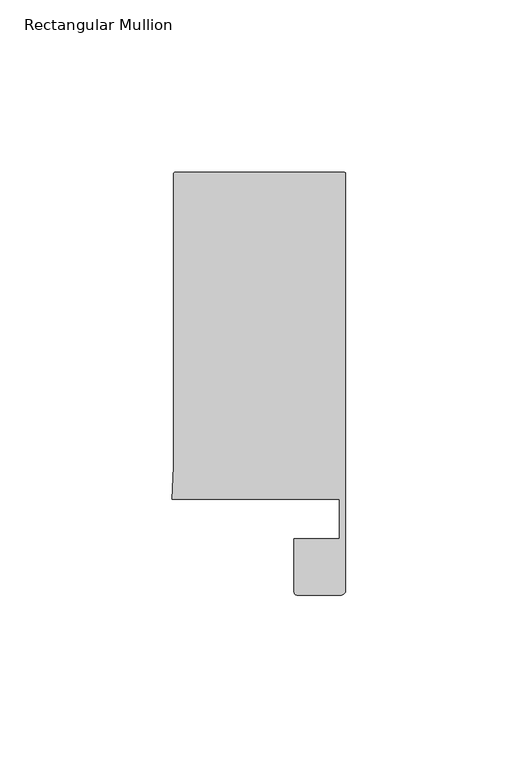
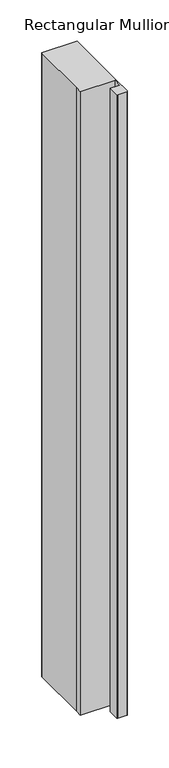
"""IFC4 building model written with IfcOpenShell, lengths in millimetres: member geometry, Rectangular Mullion."""

from ifc_helpers import new_model, si_unit, frame, origin, place, context, project, spatial, circle_curve, source, transform, mapped, element, save
from ifc_brep_helpers import plane_surface, cylinder_surface, advanced_brep


def rectangular_mullion_4ed620f7(model_context):
    return source(origin(), model_context, "Body", "AdvancedBrep", [
        advanced_brep(
        [(-49.5, 108.995417, 0.0), (-50.0, 108.495417, 0.0), (-50.0, 23.4856858, 0.0), (-50.4480459, 14.0, 0.0), (-1.8, 14.0, 0.0), (-1.8, 2.6022043, 0.0), (-15.0, 2.6022043, 0.0), (-15.0, -12.8070793, 0.0), (-13.9997566, -13.8070793, 0.0), (-1.5, -13.8070793, 0.0), (0.0, -12.3070793, 0.0), (0.0, 14.0, 0.0), (0.0, 108.495417, 0.0), (-0.5, 108.995417, 0.0), (-49.5, 108.995417, -924.1039072), (-0.5, 108.995417, -924.1039072), (0.0, 108.495417, -924.1039072), (0.0, 14.0, -924.1039072), (0.0, -12.3070793, -924.1039072), (-1.5, -13.8070793, -924.1039072), (-13.9997566, -13.8070793, -924.1039072), (-14.9997566, -12.8070793, -924.1039072), (-15.0, 2.6022043, -924.1039072), (-1.8, 2.6022043, -924.1039072), (-1.8, 14.0, -924.1039072), (-50.4480459, 14.0, -924.1039072), (-50.0, 23.4856858, -924.1039072), (-50.0, 108.495417, -924.1039072)],
        [
            (0, 1, circle_curve(frame((-49.5, 108.495417, 0.0), z_axis=(0.0, 0.0, 1.0), x_axis=(1.0, 0.0, 0.0)), 0.5)),
            (1, 2),
            (2, 3),
            (3, 4),
            (4, 5),
            (5, 6),
            (6, 7),
            (7, 8, circle_curve(frame((-13.9997566, -12.8070793, 0.0), z_axis=(0.0, 0.0, 1.0), x_axis=(1.0, 0.0, 0.0)), 1.0)),
            (8, 9),
            (9, 10, circle_curve(frame((-1.5, -12.3070793, 0.0), z_axis=(0.0, 0.0, 1.0), x_axis=(1.0, 0.0, 0.0)), 1.5)),
            (10, 11),
            (11, 12),
            (12, 13, circle_curve(frame((-0.5, 108.495417, 0.0), z_axis=(0.0, 0.0, 1.0), x_axis=(1.0, 0.0, 0.0)), 0.5)),
            (13, 0),
            (14, 15),
            (15, 16, circle_curve(frame((-0.5, 108.495417, -924.1039072), z_axis=(0.0, 0.0, -1.0), x_axis=(1.0, 0.0, 0.0)), 0.5)),
            (16, 17),
            (17, 18),
            (18, 19, circle_curve(frame((-1.5, -12.3070793, -924.1039072), z_axis=(0.0, 0.0, -1.0), x_axis=(1.0, 0.0, 0.0)), 1.5)),
            (19, 20),
            (20, 21, circle_curve(frame((-13.9997566, -12.8070793, -924.1039072), z_axis=(0.0, 0.0, -1.0), x_axis=(1.0, 0.0, 0.0)), 1.0)),
            (21, 22),
            (22, 23),
            (23, 24),
            (24, 25),
            (25, 26),
            (26, 27),
            (27, 14, circle_curve(frame((-49.5, 108.495417, -924.1039072), z_axis=(0.0, 0.0, -1.0), x_axis=(1.0, 0.0, 0.0)), 0.5)),
            (11, 17),
            (16, 12),
            (2, 26),
            (25, 3),
            (1, 27),
            (0, 14),
            (24, 4),
            (23, 5),
            (22, 6),
            (21, 7),
            (20, 8),
            (19, 9),
            (18, 10),
            (15, 13),
        ],
        [
            plane_surface(frame((0.0, -119.7224922, 0.0), z_axis=(0.0, 0.0, 1.0), x_axis=(-1.0, 0.0, 0.0))),
            plane_surface(frame((0.0, -119.7224922, -924.1039072), z_axis=(0.0, 0.0, -1.0), x_axis=(-1.0, 0.0, 0.0))),
            plane_surface(frame((0.0, 14.0, 0.0), z_axis=(1.0, 0.0, 0.0), x_axis=(0.0, 0.0, -1.0))),
            plane_surface(frame((-50.0, 23.4856858, 0.0), z_axis=(-0.9988863426396719, 0.047181293834952384, 0.0), x_axis=(0.0, 0.0, -1.0))),
            plane_surface(frame((-50.0, 108.495417, 0.0), z_axis=(-1.0, 0.0, 0.0), x_axis=(0.0, 0.0, -1.0))),
            cylinder_surface(frame((-49.5, 108.495417, 0.0), z_axis=(0.0, 0.0, 1.0), x_axis=(1.0, 0.0, 0.0)), 0.5),
            plane_surface(frame((-50.4480459, 14.0, 0.0), z_axis=(0.0, -1.0, 0.0), x_axis=(0.0, 0.0, -1.0))),
            plane_surface(frame((-1.8, 14.0, 0.0), z_axis=(-1.0, 0.0, 0.0), x_axis=(0.0, 0.0, -1.0))),
            plane_surface(frame((-1.8, 2.6022043, 0.0), z_axis=(0.0, 1.0, 0.0), x_axis=(0.0, 0.0, -1.0))),
            plane_surface(frame((-15.0, 2.6022043, 0.0), z_axis=(-1.0, 0.0, 0.0), x_axis=(0.0, 0.0, -1.0))),
            cylinder_surface(frame((-13.9997566, -12.8070793, 0.0), z_axis=(0.0, 0.0, 1.0), x_axis=(1.0, 0.0, 0.0)), 1.0),
            plane_surface(frame((-13.9997566, -13.8070793, 0.0), z_axis=(0.0, -1.0, 0.0), x_axis=(0.0, 0.0, -1.0))),
            cylinder_surface(frame((-1.5, -12.3070793, 0.0), z_axis=(0.0, 0.0, 1.0), x_axis=(1.0, 0.0, 0.0)), 1.5),
            plane_surface(frame((0.0, -12.3070793, 0.0), z_axis=(1.0, 0.0, 0.0), x_axis=(0.0, 0.0, -1.0))),
            cylinder_surface(frame((-0.5, 108.495417, 0.0), z_axis=(0.0, 0.0, 1.0), x_axis=(1.0, 0.0, 0.0)), 0.5),
            plane_surface(frame((-0.5, 108.995417, 0.0), z_axis=(0.0, 1.0, 0.0), x_axis=(0.0, 0.0, -1.0))),
        ],
        [
            (0, [[1, 2, 3, 4, 5, 6, 7, 8, 9, 10, 11, 12, 13, 14]]),
            (1, [[15, 16, 17, 18, 19, 20, 21, 22, 23, 24, 25, 26, 27, 28]]),
            (2, [[-12, 29, -17, 30]]),
            (3, [[-3, 31, -26, 32]]),
            (4, [[-2, 33, -27, -31]]),
            (5, [[-1, 34, -28, -33]]),
            (6, [[-4, -32, -25, 35]]),
            (7, [[-5, -35, -24, 36]]),
            (8, [[-6, -36, -23, 37]]),
            (9, [[-7, -37, -22, 38]]),
            (10, [[-8, -38, -21, 39]]),
            (11, [[-9, -39, -20, 40]]),
            (12, [[-10, -40, -19, 41]]),
            (13, [[-11, -41, -18, -29]]),
            (14, [[-13, -30, -16, 42]]),
            (15, [[-14, -42, -15, -34]]),
        ],
    ),
    ])


if __name__ == "__main__":
    model = new_model("IFC4")
    model_context = context("Model", 3, world=origin())
    ifc_project = project(units=[si_unit("LENGTHUNIT", "METRE", prefix="MILLI")], contexts=[model_context])
    site = spatial("IfcSite", under=ifc_project)
    building = spatial("IfcBuilding", under=site)
    placement = place(None, origin())
    rectangular_mullion_shape = rectangular_mullion_4ed620f7(model_context)
    element("IfcMember", 1, ObjectType="Rectangular Mullion", at=placement, inside=building, context=model_context, shape_type="MappedRepresentation", body=[
        mapped(rectangular_mullion_shape, transform((0.0, 0.0, 0.0), x_axis=(1.0, 0.0, 0.0), y_axis=(0.0, 1.0, 0.0), z_axis=(0.0, 0.0, 1.0))),
    ])
    save(model, "model.ifc")
